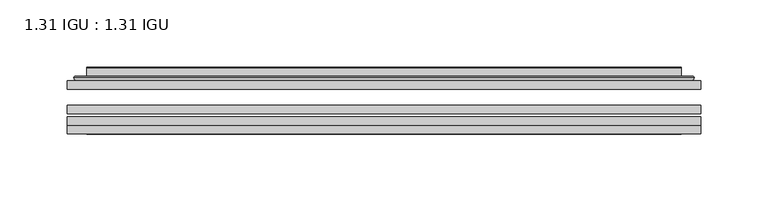
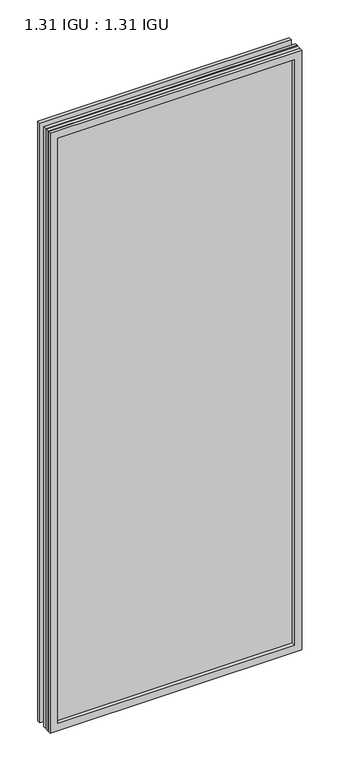
"""IFC4 building model written with IfcOpenShell, lengths in millimetres: plate geometry, 1.31 IGU : 1.31 IGU."""

from ifc_helpers import new_model, si_unit, frame, origin, place, context, project, spatial, polyline, ellipse_curve, outline, extrude, faceted_brep, source, transform, mapped, element, save
from ifc_brep_helpers import plane_surface, cylinder_surface, advanced_brep


def plate_1_31_igu_1_31_igu_2055519c(model_context):
    return source(origin(), model_context, "Body", "SolidModel", [
        extrude(outline(polyline([(234.964175, -63.59525), (234.964175, -69.94525), (-234.95, -69.94525), (-234.95, -63.59525), (234.964175, -63.59525)])), frame((0.0, 0.0, -14.2875), z_axis=(0.0, 0.0, 1.0), x_axis=(1.0, 0.0, 0.0)), (0.0, 0.0, 1.0), 1184.2787979),
        extrude(outline(polyline([(-234.95, -78.58125), (-234.95, -72.230745), (234.964175, -72.230745), (234.964175, -78.58125), (-234.95, -78.58125)])), frame((0.0, 0.0, -14.2875), z_axis=(0.0, 0.0, 1.0), x_axis=(1.0, 0.0, 0.0)), (0.0, 0.0, 1.0), 1184.2787979),
        extrude(outline(polyline([(234.964175, -45.25645), (234.964175, -51.60645), (-234.95, -51.60645), (-234.95, -45.25645), (234.964175, -45.25645)])), frame((0.0, 0.0, -14.2875), z_axis=(0.0, 0.0, 1.0), x_axis=(1.0, 0.0, 0.0)), (0.0, 0.0, 1.0), 1184.2787979),
        faceted_brep([(-234.9627, -84.93125, 1170.0002), (-234.9627, -78.58125, 1170.0002), (-234.9627, -78.58125, -14.3002), (-234.9627, -84.93125, -14.3002), (234.9627, -78.58125, -14.3002), (234.9627, -84.93125, -14.3002), (234.9627, -78.58125, 1170.0002), (234.9627, -84.93125, 1170.0002), (-219.7647559, -78.58125, 0.8977441), (219.7647559, -78.58125, 0.8977441), (219.7647559, -78.58125, 1154.8022559), (-219.7647559, -78.58125, 1154.8022559), (-220.6571902, -84.93125, 1155.6946902), (220.6571902, -84.93125, 1155.6946902), (220.6571902, -84.93125, 0.0053098), (-220.6571902, -84.93125, 0.0053098)], [[[0, 1, 2, 3]], [[3, 2, 4, 5]], [[5, 4, 6, 7]], [[1, 6, 4, 2], [8, 9, 10, 11]], [[7, 6, 1, 0]], [[3, 5, 7, 0], [12, 13, 14, 15]], [[11, 12, 15, 8]], [[8, 15, 14, 9]], [[9, 14, 13, 10]], [[10, 13, 12, 11]]]),
        advanced_brep(
        [(-227.708719, -45.25645, 1162.746219), (-230.0629244, -43.2667833, 1165.1004244), (-230.0629244, -43.2667833, -9.4004244), (-227.708719, -45.25645, -7.046219), (-218.6343939, -41.416413, 1153.6718939), (-213.6995621, -45.25645, 1148.7370621), (-213.6995621, -45.25645, 6.9629379), (-218.6343939, -41.416413, 2.0281061), (-219.6664217, -36.0191819, 1154.7039217), (-219.6664217, -36.0191819, 0.9960783), (-220.6570784, -35.6202069, 1155.6945784), (-220.6570784, -35.6202069, 0.0054216), (-220.6570784, -42.08145, 1155.6945784), (-220.6570784, -42.08145, 0.0054216), (-229.0611349, -42.08145, 1164.0986349), (-229.0611349, -42.08145, -8.3986349), (230.0629244, -43.2667833, -9.4004244), (227.708719, -45.25645, -7.046219), (213.6995621, -45.25645, 6.9629379), (218.6343939, -41.416413, 2.0281061), (219.6664217, -36.0191819, 0.9960783), (220.6570784, -35.6202069, 0.0054216), (220.6570784, -42.08145, 0.0054216), (229.0611349, -42.08145, -8.3986349), (230.0629244, -43.2667833, 1165.1004244), (227.708719, -45.25645, 1162.746219), (213.6995621, -45.25645, 1148.7370621), (218.6343939, -41.416413, 1153.6718939), (219.6664217, -36.0191819, 1154.7039217), (220.6570784, -35.6202069, 1155.6945784), (220.6570784, -42.08145, 1155.6945784), (229.0611349, -42.08145, 1164.0986349)],
        [
            (0, 1, ellipse_curve(frame((-227.708719, -42.86885, 1162.746219), z_axis=(-0.7071067811865475, 0.0, -0.7071067811865475), x_axis=(-0.7071067811865474, 0.0, 0.7071067811865476)), 3.3765763, 2.3876)),
            (1, 2),
            (2, 3, ellipse_curve(frame((-227.708719, -42.86885, -7.046219), z_axis=(-0.7071067811865475, 0.0, 0.7071067811865475), x_axis=(0.7071067811865474, 0.0, 0.7071067811865476)), 3.3765763, 2.3876)),
            (3, 0),
            (4, 5),
            (5, 6),
            (6, 7),
            (7, 4),
            (8, 4),
            (7, 9),
            (9, 8),
            (10, 8, ellipse_curve(frame((-220.2901219, -36.1384423, 1155.3276219), z_axis=(-0.7071067811865475, 0.0, -0.7071067811865475), x_axis=(-0.7071067811865474, 0.0, 0.7071067811865476)), 0.8980256, 0.635)),
            (9, 11, ellipse_curve(frame((-220.2901219, -36.1384423, 0.3723781), z_axis=(-0.7071067811865475, 0.0, 0.7071067811865475), x_axis=(0.7071067811865474, 0.0, 0.7071067811865476)), 0.8980256, 0.635)),
            (11, 10),
            (12, 10),
            (11, 13),
            (13, 12),
            (1, 14, ellipse_curve(frame((-229.0611349, -43.09745, 1164.0986349), z_axis=(-0.7071067811865475, 0.0, -0.7071067811865475), x_axis=(-0.7071067811865474, 0.0, 0.7071067811865476)), 1.436841, 1.016)),
            (14, 15),
            (15, 2, ellipse_curve(frame((-229.0611349, -43.09745, -8.3986349), z_axis=(-0.7071067811865475, 0.0, 0.7071067811865475), x_axis=(0.7071067811865474, 0.0, 0.7071067811865476)), 1.436841, 1.016)),
            (2, 16),
            (16, 17, ellipse_curve(frame((227.708719, -42.86885, -7.046219), z_axis=(-0.7071067811865475, 0.0, -0.7071067811865475), x_axis=(-0.7071067811865476, 0.0, 0.7071067811865474)), 3.3765763, 2.3876)),
            (17, 3),
            (6, 18),
            (18, 19),
            (19, 7),
            (19, 20),
            (20, 9),
            (20, 21, ellipse_curve(frame((220.2901219, -36.1384423, 0.3723781), z_axis=(-0.7071067811865475, 0.0, -0.7071067811865475), x_axis=(-0.7071067811865476, 0.0, 0.7071067811865474)), 0.8980256, 0.635)),
            (21, 11),
            (21, 22),
            (22, 13),
            (15, 23),
            (23, 16, ellipse_curve(frame((229.0611349, -43.09745, -8.3986349), z_axis=(-0.7071067811865475, 0.0, -0.7071067811865475), x_axis=(-0.7071067811865476, 0.0, 0.7071067811865474)), 1.436841, 1.016)),
            (16, 24),
            (24, 25, ellipse_curve(frame((227.708719, -42.86885, 1162.746219), z_axis=(0.7071067811865475, 0.0, -0.7071067811865475), x_axis=(-0.7071067811865474, 0.0, -0.7071067811865476)), 3.3765763, 2.3876)),
            (25, 17),
            (18, 26),
            (26, 27),
            (27, 19),
            (27, 28),
            (28, 20),
            (28, 29, ellipse_curve(frame((220.2901219, -36.1384423, 1155.3276219), z_axis=(0.7071067811865475, 0.0, -0.7071067811865475), x_axis=(-0.7071067811865474, 0.0, -0.7071067811865476)), 0.8980256, 0.635)),
            (29, 21),
            (29, 30),
            (30, 22),
            (23, 31),
            (31, 24, ellipse_curve(frame((229.0611349, -43.09745, 1164.0986349), z_axis=(0.7071067811865475, 0.0, -0.7071067811865475), x_axis=(-0.7071067811865474, 0.0, -0.7071067811865476)), 1.436841, 1.016)),
            (24, 1),
            (0, 25),
            (5, 26),
            (4, 27),
            (8, 28),
            (10, 29),
            (12, 30),
            (14, 31),
        ],
        [
            cylinder_surface(frame((-227.708719, -42.86885, 1187.45), z_axis=(0.0, 0.0, 1.0), x_axis=(-1.0, 0.0, 0.0)), 2.3876),
            plane_surface(frame((-213.6995621, -45.25645, 1148.7370621), z_axis=(0.6141233906514794, 0.7892100234124821, 0.0), x_axis=(0.0, 0.0, -1.0))),
            plane_surface(frame((-218.6343939, -41.416413, 1153.6718939), z_axis=(0.9822050625507729, 0.18781164793386076, 0.0), x_axis=(0.0, 0.0, -1.0))),
            cylinder_surface(frame((-220.2901219, -36.1384423, 1187.45), z_axis=(0.0, 0.0, 1.0), x_axis=(-1.0, 0.0, 0.0)), 0.635),
            plane_surface(frame((-220.6570784, -35.6202069, 1155.6945784), z_axis=(-1.0, 0.0, 0.0), x_axis=(0.0, 0.0, -1.0))),
            cylinder_surface(frame((-229.0611349, -43.09745, 1187.45), z_axis=(0.0, 0.0, 1.0), x_axis=(-1.0, 0.0, 0.0)), 1.016),
            cylinder_surface(frame((-252.4125, -42.86885, -7.046219), z_axis=(-1.0, 0.0, 0.0), x_axis=(0.0, 0.0, -1.0)), 2.3876),
            plane_surface(frame((-213.6995621, -45.25645, 6.9629379), z_axis=(0.0, 0.7892100234124841, 0.6141233906514768), x_axis=(1.0, 0.0, 0.0))),
            plane_surface(frame((-218.6343939, -41.416413, 2.0281061), z_axis=(0.0, 0.18781164793386393, 0.9822050625507723), x_axis=(1.0, 0.0, 0.0))),
            cylinder_surface(frame((-252.4125, -36.1384423, 0.3723781), z_axis=(-1.0, 0.0, 0.0), x_axis=(0.0, 0.0, -1.0)), 0.635),
            plane_surface(frame((-220.6570784, -35.6202069, 0.0054216), z_axis=(0.0, 0.0, -1.0), x_axis=(1.0, 0.0, 0.0))),
            cylinder_surface(frame((-252.4125, -43.09745, -8.3986349), z_axis=(-1.0, 0.0, 0.0), x_axis=(0.0, 0.0, -1.0)), 1.016),
            cylinder_surface(frame((227.708719, -42.86885, -31.75), z_axis=(0.0, 0.0, -1.0), x_axis=(1.0, 0.0, 0.0)), 2.3876),
            plane_surface(frame((213.6995621, -45.25645, 6.9629379), z_axis=(-0.6141233906514743, 0.7892100234124861, 0.0), x_axis=(0.0, 0.0, 1.0))),
            plane_surface(frame((218.6343939, -41.416413, 2.0281061), z_axis=(-0.9822050625507718, 0.1878116479338671, 0.0), x_axis=(0.0, 0.0, 1.0))),
            cylinder_surface(frame((220.2901219, -36.1384423, -31.75), z_axis=(0.0, 0.0, -1.0), x_axis=(1.0, 0.0, 0.0)), 0.635),
            plane_surface(frame((220.6570784, -35.6202069, 0.0054216), z_axis=(1.0, 0.0, 0.0), x_axis=(0.0, 0.0, 1.0))),
            cylinder_surface(frame((229.0611349, -43.09745, -31.75), z_axis=(0.0, 0.0, -1.0), x_axis=(1.0, 0.0, 0.0)), 1.016),
            cylinder_surface(frame((252.4125, -42.86885, 1162.746219), z_axis=(1.0, 0.0, 0.0), x_axis=(0.0, 0.0, 1.0)), 2.3876),
            plane_surface(frame((227.708719, -45.25645, 1162.746219), z_axis=(0.0, -1.0, 0.0), x_axis=(-1.0, 0.0, 0.0))),
            plane_surface(frame((213.6995621, -45.25645, 1148.7370621), z_axis=(0.0, 0.7892100234124841, -0.6141233906514768), x_axis=(-1.0, 0.0, 0.0))),
            plane_surface(frame((218.6343939, -41.416413, 1153.6718939), z_axis=(0.0, 0.18781164793386393, -0.9822050625507723), x_axis=(-1.0, 0.0, 0.0))),
            cylinder_surface(frame((252.4125, -36.1384423, 1155.3276219), z_axis=(1.0, 0.0, 0.0), x_axis=(0.0, 0.0, 1.0)), 0.635),
            plane_surface(frame((220.6570784, -35.6202069, 1155.6945784), z_axis=(0.0, 0.0, 1.0), x_axis=(-1.0, 0.0, 0.0))),
            plane_surface(frame((220.6570784, -42.08145, 1155.6945784), z_axis=(0.0, 1.0, 0.0), x_axis=(-1.0, 0.0, 0.0))),
            cylinder_surface(frame((252.4125, -43.09745, 1164.0986349), z_axis=(1.0, 0.0, 0.0), x_axis=(0.0, 0.0, 1.0)), 1.016),
        ],
        [
            (0, [[1, 2, 3, 4]]),
            (1, [[5, 6, 7, 8]]),
            (2, [[9, -8, 10, 11]]),
            (3, [[12, -11, 13, 14]]),
            (4, [[15, -14, 16, 17]]),
            (5, [[18, 19, 20, -2]]),
            (6, [[-3, 21, 22, 23]]),
            (7, [[-7, 24, 25, 26]]),
            (8, [[-10, -26, 27, 28]]),
            (9, [[-13, -28, 29, 30]]),
            (10, [[-16, -30, 31, 32]]),
            (11, [[-20, 33, 34, -21]]),
            (12, [[-22, 35, 36, 37]]),
            (13, [[-25, 38, 39, 40]]),
            (14, [[-27, -40, 41, 42]]),
            (15, [[-29, -42, 43, 44]]),
            (16, [[-31, -44, 45, 46]]),
            (17, [[-34, 47, 48, -35]]),
            (18, [[-36, 49, -1, 50]]),
            (19, [[-23, -37, -50, -4], [51, -38, -24, -6]]),
            (20, [[-39, -51, -5, 52]]),
            (21, [[-41, -52, -9, 53]]),
            (22, [[-43, -53, -12, 54]]),
            (23, [[-45, -54, -15, 55]]),
            (24, [[56, -47, -33, -19], [-32, -46, -55, -17]]),
            (25, [[-48, -56, -18, -49]]),
        ],
    ),
    ])


if __name__ == "__main__":
    model = new_model("IFC4")
    model_context = context("Model", 3, world=origin())
    ifc_project = project(units=[si_unit("LENGTHUNIT", "METRE", prefix="MILLI")], contexts=[model_context])
    site = spatial("IfcSite", under=ifc_project)
    building = spatial("IfcBuilding", under=site)
    placement = place(None, origin())
    plate_1_31_igu_1_31_igu_shape = plate_1_31_igu_1_31_igu_2055519c(model_context)
    element("IfcPlate", 1, ObjectType="1.31 IGU : 1.31 IGU", at=placement, inside=building, context=model_context, shape_type="MappedRepresentation", body=[
        mapped(plate_1_31_igu_1_31_igu_shape, transform((0.0, 0.0, 0.0), x_axis=(1.0, 0.0, 0.0), y_axis=(0.0, 1.0, 0.0), z_axis=(0.0, 0.0, 1.0))),
    ])
    save(model, "model.ifc")
